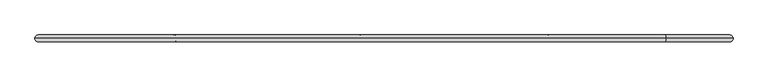
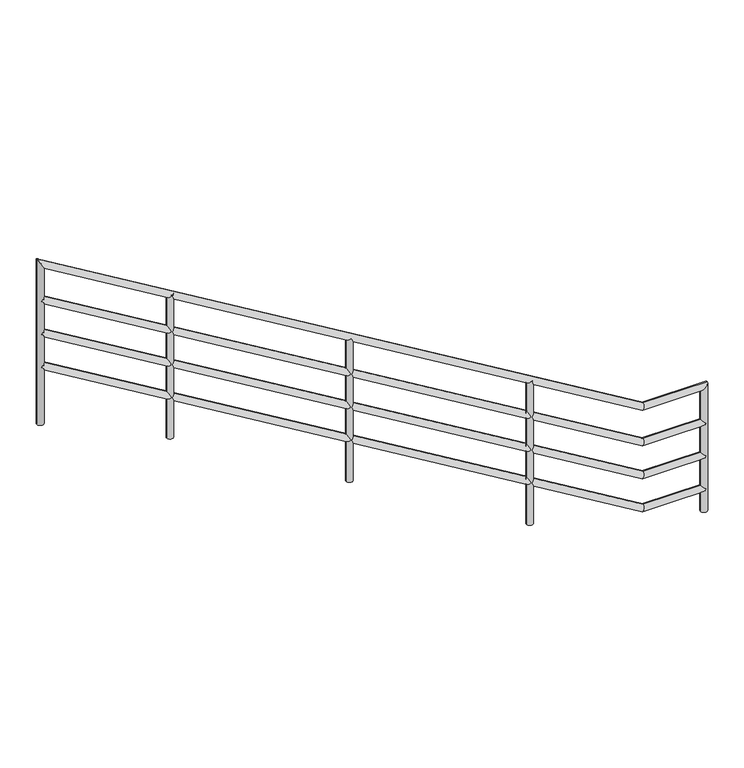
"""IFC4 building model written with IfcOpenShell, lengths in millimetres: railing geometry."""

from ifc_helpers import new_model, si_unit, point, frame, frame_2d, origin, place, context, project, spatial, circle_curve, ellipse_curve, trimmed, segment, composite_curve, outline, extrude, source, transform, mapped, element, save
from ifc_brep_helpers import plane_surface, cylinder_surface, advanced_brep


def railing_bf62fbd0(model_context):
    return source(origin(), model_context, "Body", "SolidModel", [
        extrude(outline(composite_curve([segment(trimmed(circle_curve(frame_2d((109648.1378788, 96063.7064034)), 25.0), [point((109623.1378788, 96063.7064034))], [point((109673.1378788, 96063.7064034))], False, "CARTESIAN"), True, "CONTINUOUS"), segment(trimmed(circle_curve(frame_2d((109648.1378788, 96063.7064034)), 25.0), [point((109673.1378788, 96063.7064034))], [point((109623.1378788, 96063.7064034))], False, "CARTESIAN"), True, "CONTINUOUS")], self_intersect=False)), frame((0.0, 0.0, 1982.3528038), z_axis=(0.0, 0.0, 1.0), x_axis=(1.0, 0.0, 0.0)), (0.0, 0.0, 1.0), 1131.8194876),
        extrude(outline(composite_curve([segment(trimmed(circle_curve(frame_2d((110986.5469279, 96063.7064034)), 25.0), [point((110961.5469279, 96063.7064034))], [point((111011.5469279, 96063.7064034))], False, "CARTESIAN"), True, "CONTINUOUS"), segment(trimmed(circle_curve(frame_2d((110986.5469279, 96063.7064034)), 25.0), [point((111011.5469279, 96063.7064034))], [point((110961.5469279, 96063.7064034))], False, "CARTESIAN"), True, "CONTINUOUS")], self_intersect=False)), frame((0.0, 0.0, 1171.4744633), z_axis=(0.0, 0.0, 1.0), x_axis=(1.0, 0.0, 0.0)), (0.0, 0.0, 1.0), 1131.8194876),
        extrude(outline(composite_curve([segment(trimmed(circle_curve(frame_2d((112332.0459633, 96063.7064034)), 25.0), [point((112307.0459633, 96063.7064034))], [point((112357.0459633, 96063.7064034))], False, "CARTESIAN"), True, "CONTINUOUS"), segment(trimmed(circle_curve(frame_2d((112332.0459633, 96063.7064034)), 25.0), [point((112357.0459633, 96063.7064034))], [point((112307.0459633, 96063.7064034))], False, "CARTESIAN"), True, "CONTINUOUS")], self_intersect=False)), frame((0.0, 0.0, 362.0080024), z_axis=(0.0, 0.0, 1.0), x_axis=(1.0, 0.0, 0.0)), (0.0, 0.0, 1.0), 1131.8194876),
        advanced_brep(
        [(113631.6883523, 96063.7064034, 164.3194443), (113631.6883523, 96063.7064034, 214.3194443), (113178.6214659, 96063.7064034, 214.3194443), (113164.7552387, 96063.7064034, 164.3194443), (108693.0076485, 96063.7064034, 2909.5481394), (108667.2557448, 96063.7064034, 2866.6897744)],
        [
            (0, 1, circle_curve(frame((113631.6883523, 96063.7064034, 189.3194443), z_axis=(1.0, 0.0, 0.0), x_axis=(0.0, 0.0, 1.0)), 25.0)),
            (1, 0, circle_curve(frame((113631.6883523, 96063.7064034, 189.3194443), z_axis=(1.0, 0.0, 0.0), x_axis=(0.0, 0.0, 1.0)), 25.0)),
            (1, 2),
            (2, 3, ellipse_curve(frame((113171.6883523, 96063.7064034, 189.3194443), z_axis=(0.9636304532086231, 0.0, -0.2672383760782572), x_axis=(0.2672383760782561, 0.0, 0.9636304532086232)), 25.9435554, 25.0)),
            (3, 0),
            (3, 2, ellipse_curve(frame((113171.6883523, 96063.7064034, 189.3194443), z_axis=(0.9636304532086231, 0.0, -0.2672383760782572), x_axis=(0.2672383760782561, 0.0, 0.9636304532086232)), 25.9435554, 25.0)),
            (2, 4),
            (4, 5, circle_curve(frame((108680.1316967, 96063.7064034, 2888.1189569), z_axis=(0.857167300702112, 0.0, -0.5150380749100547), x_axis=(0.5150380749100547, 0.0, 0.857167300702112)), 25.0)),
            (5, 3),
            (5, 4, circle_curve(frame((108680.1316967, 96063.7064034, 2888.1189569), z_axis=(0.857167300702112, 0.0, -0.5150380749100547), x_axis=(0.5150380749100547, 0.0, 0.857167300702112)), 25.0)),
        ],
        [
            plane_surface(frame((113631.6883523, 96063.7064034, 189.3194443), z_axis=(1.0, 0.0, 0.0), x_axis=(0.0, -1.0, 0.0))),
            cylinder_surface(frame((113631.6883523, 96063.7064034, 189.3194443), z_axis=(1.0, 0.0, 0.0), x_axis=(0.0, 0.0, 1.0)), 25.0),
            cylinder_surface(frame((113171.6883523, 96063.7064034, 189.3194443), z_axis=(0.857167300702112, 0.0, -0.5150380749100547), x_axis=(0.5150380749100547, 0.0, 0.857167300702112)), 25.0),
            plane_surface(frame((108680.1316967, 96063.7064034, 2888.1189569), z_axis=(-0.8571673007021122, 0.0, 0.5150380749100546), x_axis=(0.0, -1.0, 0.0))),
        ],
        [
            (0, [[1, 2]]),
            (1, [[-2, 3, 4, 5]]),
            (1, [[-1, -5, 6, -3]]),
            (2, [[-4, 7, 8, 9]]),
            (2, [[-6, -9, 10, -7]]),
            (3, [[-8, -10]]),
        ],
    ),
        advanced_brep(
        [(113631.6883523, 96063.7064034, 424.3194443), (113631.6883523, 96063.7064034, 474.3194443), (113178.6214659, 96063.7064034, 474.3194443), (113164.7552387, 96063.7064034, 424.3194443), (108693.0076485, 96063.7064034, 3169.5481394), (108667.2557448, 96063.7064034, 3126.6897744)],
        [
            (0, 1, circle_curve(frame((113631.6883523, 96063.7064034, 449.3194443), z_axis=(1.0, 0.0, 0.0), x_axis=(0.0, 0.0, 1.0)), 25.0)),
            (1, 0, circle_curve(frame((113631.6883523, 96063.7064034, 449.3194443), z_axis=(1.0, 0.0, 0.0), x_axis=(0.0, 0.0, 1.0)), 25.0)),
            (1, 2),
            (2, 3, ellipse_curve(frame((113171.6883523, 96063.7064034, 449.3194443), z_axis=(0.9636304532086231, 0.0, -0.2672383760782572), x_axis=(0.2672383760782561, 0.0, 0.9636304532086232)), 25.9435554, 25.0)),
            (3, 0),
            (3, 2, ellipse_curve(frame((113171.6883523, 96063.7064034, 449.3194443), z_axis=(0.9636304532086231, 0.0, -0.2672383760782572), x_axis=(0.2672383760782561, 0.0, 0.9636304532086232)), 25.9435554, 25.0)),
            (2, 4),
            (4, 5, circle_curve(frame((108680.1316967, 96063.7064034, 3148.1189569), z_axis=(0.857167300702112, 0.0, -0.5150380749100547), x_axis=(0.5150380749100547, 0.0, 0.857167300702112)), 25.0)),
            (5, 3),
            (5, 4, circle_curve(frame((108680.1316967, 96063.7064034, 3148.1189569), z_axis=(0.857167300702112, 0.0, -0.5150380749100547), x_axis=(0.5150380749100547, 0.0, 0.857167300702112)), 25.0)),
        ],
        [
            plane_surface(frame((113631.6883523, 96063.7064034, 449.3194443), z_axis=(1.0, 0.0, 0.0), x_axis=(0.0, -1.0, 0.0))),
            cylinder_surface(frame((113631.6883523, 96063.7064034, 449.3194443), z_axis=(1.0, 0.0, 0.0), x_axis=(0.0, 0.0, 1.0)), 25.0),
            cylinder_surface(frame((113171.6883523, 96063.7064034, 449.3194443), z_axis=(0.857167300702112, 0.0, -0.5150380749100547), x_axis=(0.5150380749100547, 0.0, 0.857167300702112)), 25.0),
            plane_surface(frame((108680.1316967, 96063.7064034, 3148.1189569), z_axis=(-0.8571673007021122, 0.0, 0.5150380749100546), x_axis=(0.0, -1.0, 0.0))),
        ],
        [
            (0, [[1, 2]]),
            (1, [[-2, 3, 4, 5]]),
            (1, [[-1, -5, 6, -3]]),
            (2, [[-4, 7, 8, 9]]),
            (2, [[-6, -9, 10, -7]]),
            (3, [[-8, -10]]),
        ],
    ),
        advanced_brep(
        [(113631.6883523, 96063.7064034, 684.3194443), (113631.6883523, 96063.7064034, 734.3194443), (113178.6214659, 96063.7064034, 734.3194443), (113164.7552387, 96063.7064034, 684.3194443), (108693.0076485, 96063.7064034, 3429.5481394), (108667.2557448, 96063.7064034, 3386.6897744)],
        [
            (0, 1, circle_curve(frame((113631.6883523, 96063.7064034, 709.3194443), z_axis=(1.0, 0.0, 0.0), x_axis=(0.0, 0.0, 1.0)), 25.0)),
            (1, 0, circle_curve(frame((113631.6883523, 96063.7064034, 709.3194443), z_axis=(1.0, 0.0, 0.0), x_axis=(0.0, 0.0, 1.0)), 25.0)),
            (1, 2),
            (2, 3, ellipse_curve(frame((113171.6883523, 96063.7064034, 709.3194443), z_axis=(0.9636304532086231, 0.0, -0.2672383760782572), x_axis=(0.2672383760782561, 0.0, 0.9636304532086232)), 25.9435554, 25.0)),
            (3, 0),
            (3, 2, ellipse_curve(frame((113171.6883523, 96063.7064034, 709.3194443), z_axis=(0.9636304532086231, 0.0, -0.2672383760782572), x_axis=(0.2672383760782561, 0.0, 0.9636304532086232)), 25.9435554, 25.0)),
            (2, 4),
            (4, 5, circle_curve(frame((108680.1316967, 96063.7064034, 3408.1189569), z_axis=(0.857167300702112, 0.0, -0.5150380749100547), x_axis=(0.5150380749100547, 0.0, 0.857167300702112)), 25.0)),
            (5, 3),
            (5, 4, circle_curve(frame((108680.1316967, 96063.7064034, 3408.1189569), z_axis=(0.857167300702112, 0.0, -0.5150380749100547), x_axis=(0.5150380749100547, 0.0, 0.857167300702112)), 25.0)),
        ],
        [
            plane_surface(frame((113631.6883523, 96063.7064034, 709.3194443), z_axis=(1.0, 0.0, 0.0), x_axis=(0.0, -1.0, 0.0))),
            cylinder_surface(frame((113631.6883523, 96063.7064034, 709.3194443), z_axis=(1.0, 0.0, 0.0), x_axis=(0.0, 0.0, 1.0)), 25.0),
            cylinder_surface(frame((113171.6883523, 96063.7064034, 709.3194443), z_axis=(0.857167300702112, 0.0, -0.5150380749100547), x_axis=(0.5150380749100547, 0.0, 0.857167300702112)), 25.0),
            plane_surface(frame((108680.1316967, 96063.7064034, 3408.1189569), z_axis=(-0.8571673007021122, 0.0, 0.5150380749100546), x_axis=(0.0, -1.0, 0.0))),
        ],
        [
            (0, [[1, 2]]),
            (1, [[-2, 3, 4, 5]]),
            (1, [[-1, -5, 6, -3]]),
            (2, [[-4, 7, 8, 9]]),
            (2, [[-6, -9, 10, -7]]),
            (3, [[-8, -10]]),
        ],
    ),
        advanced_brep(
        [(113656.6883523, 96063.7064034, 9.3194443), (113606.6883523, 96063.7064034, 9.3194443), (113656.6883523, 96063.7064034, 1014.3194443), (113606.6883523, 96063.7064034, 964.3194443), (113178.6214659, 96063.7064034, 1014.3194443), (113164.7552387, 96063.7064034, 964.3194443), (108655.1316967, 96063.7064034, 3732.3063073), (108705.1316967, 96063.7064034, 3643.9316065), (108655.1316967, 96063.7064034, 2428.1189569), (108705.1316967, 96063.7064034, 2428.1189569)],
        [
            (0, 1, circle_curve(frame((113631.6883523, 96063.7064034, 9.3194443), z_axis=(0.0, 0.0, -1.0), x_axis=(-1.0, 0.0, 0.0)), 25.0)),
            (1, 0, circle_curve(frame((113631.6883523, 96063.7064034, 9.3194443), z_axis=(0.0, 0.0, -1.0), x_axis=(-1.0, 0.0, 0.0)), 25.0)),
            (0, 2),
            (2, 3, ellipse_curve(frame((113631.6883523, 96063.7064034, 989.3194443), z_axis=(0.7071067811865475, 0.0, -0.7071067811865475), x_axis=(-0.7071067811865474, 0.0, -0.7071067811865476)), 35.3553391, 25.0)),
            (3, 1),
            (3, 2, ellipse_curve(frame((113631.6883523, 96063.7064034, 989.3194443), z_axis=(0.7071067811865475, 0.0, -0.7071067811865475), x_axis=(-0.7071067811865474, 0.0, -0.7071067811865476)), 35.3553391, 25.0)),
            (2, 4),
            (4, 5, ellipse_curve(frame((113171.6883523, 96063.7064034, 989.3194443), z_axis=(0.9636304532086231, 0.0, -0.2672383760782572), x_axis=(0.2672383760782561, 0.0, 0.9636304532086232)), 25.9435554, 25.0)),
            (5, 3),
            (5, 4, ellipse_curve(frame((113171.6883523, 96063.7064034, 989.3194443), z_axis=(0.9636304532086231, 0.0, -0.2672383760782572), x_axis=(0.2672383760782561, 0.0, 0.9636304532086232)), 25.9435554, 25.0)),
            (4, 6),
            (6, 7, ellipse_curve(frame((108680.1316967, 96063.7064034, 3688.1189569), z_axis=(0.8703556959398997, 0.0, 0.49242356010346683), x_axis=(0.492423560103467, 0.0, -0.8703556959398997)), 50.7693011, 25.0)),
            (7, 5),
            (7, 6, ellipse_curve(frame((108680.1316967, 96063.7064034, 3688.1189569), z_axis=(0.8703556959398997, 0.0, 0.49242356010346683), x_axis=(0.492423560103467, 0.0, -0.8703556959398997)), 50.7693011, 25.0)),
            (8, 9, circle_curve(frame((108680.1316967, 96063.7064034, 2428.1189569), z_axis=(0.0, 0.0, -1.0), x_axis=(1.0, 0.0, 0.0)), 25.0)),
            (9, 8, circle_curve(frame((108680.1316967, 96063.7064034, 2428.1189569), z_axis=(0.0, 0.0, -1.0), x_axis=(1.0, 0.0, 0.0)), 25.0)),
            (6, 8),
            (9, 7),
        ],
        [
            plane_surface(frame((113631.6883523, 96063.7064034, 9.3194443), z_axis=(0.0, 0.0, -1.0), x_axis=(0.0, -1.0, 0.0))),
            cylinder_surface(frame((113631.6883523, 96063.7064034, 9.3194443), z_axis=(0.0, 0.0, -1.0), x_axis=(-1.0, 0.0, 0.0)), 25.0),
            cylinder_surface(frame((113631.6883523, 96063.7064034, 989.3194443), z_axis=(1.0, 0.0, 0.0), x_axis=(0.0, 0.0, -1.0)), 25.0),
            cylinder_surface(frame((113171.6883523, 96063.7064034, 989.3194443), z_axis=(0.857167300702112, 0.0, -0.5150380749100547), x_axis=(-0.5150380749100547, 0.0, -0.857167300702112)), 25.0),
            plane_surface(frame((108680.1316967, 96063.7064034, 2428.1189569), z_axis=(0.0, 0.0, -1.0), x_axis=(0.0, -1.0, 0.0))),
            cylinder_surface(frame((108680.1316967, 96063.7064034, 3688.1189569), z_axis=(0.0, 0.0, 1.0), x_axis=(1.0, 0.0, 0.0)), 25.0),
        ],
        [
            (0, [[1, 2]]),
            (1, [[-1, 3, 4, 5]]),
            (1, [[-2, -5, 6, -3]]),
            (2, [[-4, 7, 8, 9]]),
            (2, [[-6, -9, 10, -7]]),
            (3, [[-8, 11, 12, 13]]),
            (3, [[-10, -13, 14, -11]]),
            (4, [[15, 16]]),
            (5, [[-12, 17, -16, 18]]),
            (5, [[-14, -18, -15, -17]]),
        ],
    ),
    ])


if __name__ == "__main__":
    model = new_model("IFC4")
    model_context = context("Model", 3, world=origin())
    ifc_project = project(units=[si_unit("LENGTHUNIT", "METRE", prefix="MILLI")], contexts=[model_context])
    site = spatial("IfcSite", under=ifc_project)
    building = spatial("IfcBuilding", under=site)
    placement = place(None, origin())
    railing_shape = railing_bf62fbd0(model_context)
    element("IfcRailing", 1, at=placement, inside=building, context=model_context, shape_type="MappedRepresentation", body=[
        mapped(railing_shape, transform((0.0, 0.0, 0.0), x_axis=(1.0, 0.0, 0.0), y_axis=(0.0, 1.0, 0.0), z_axis=(0.0, 0.0, 1.0))),
    ])
    save(model, "model.ifc")
